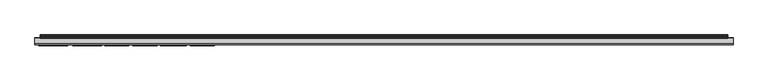
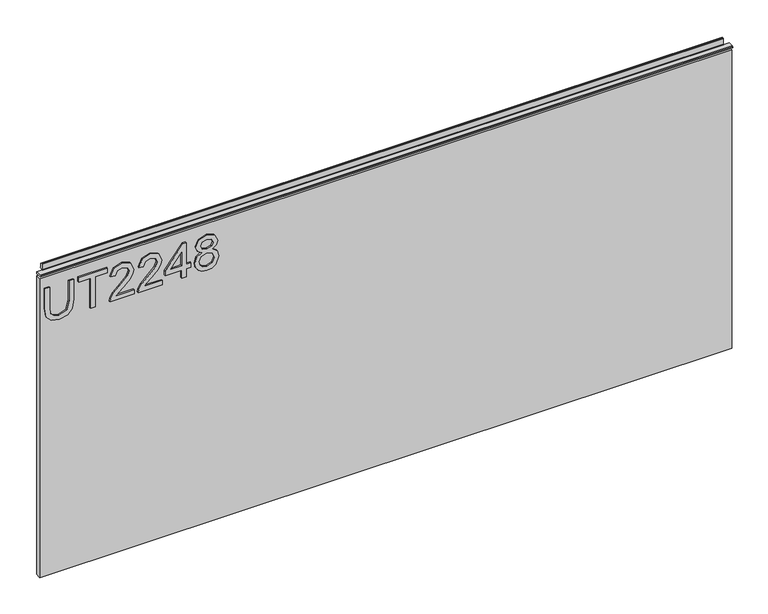
"""IFC4 building model written with IfcOpenShell, lengths in millimetres: furniture geometry."""

from ifc_helpers import new_model, si_unit, frame, origin, place, context, project, spatial, polyline, outline, extrude, source, transform, mapped, element, save


def furniture_842fb653(model_context):
    return source(origin(), model_context, "Body", "SweptSolid", [
        extrude(outline(polyline([(1675.5975569, -249.406548), (1639.0772981, -249.406548), (1622.9741222, -253.4401289), (1618.7848047, -266.9425017), (1620.9028239, -276.3178517), (1626.9220478, -281.7219156), (1639.0772981, -283.2948564), (1675.5975569, -283.2948564), (1675.5975569, -291.268576), (1638.7969721, -291.268576), (1622.8261723, -288.8468702), (1613.8946719, -280.7641349), (1610.811085, -266.1949655), (1614.3540952, -251.3999779), (1623.5425612, -243.5975687), (1638.7969721, -241.4328284), (1675.5975569, -241.4328284), (1675.5975569, -249.406548)])), frame((0.0, -6.7767932, 0.0), z_axis=(0.0, 1.0, 0.0), x_axis=(0.0, 0.0, 1.0)), (0.0, 0.0, 1.0), 2.38125),
        extrude(outline(polyline([(1611.8078, -211.5313799), (1611.8078, -203.5576602), (1667.6238373, -203.5576602), (1667.6238373, -182.6266462), (1675.5975569, -182.6266462), (1675.5975569, -232.4623938), (1667.6238373, -232.4623938), (1667.6238373, -211.5313799), (1611.8078, -211.5313799)])), frame((0.0, -6.7767932, 0.0), z_axis=(0.0, 1.0, 0.0), x_axis=(0.0, 0.0, 1.0)), (0.0, 0.0, 1.0), 2.38125),
        extrude(outline(polyline([(1619.7815196, -135.7810435), (1619.7815196, -167.0996961), (1623.8384609, -163.5021781), (1631.508494, -154.3292858), (1642.4334243, -142.905998), (1650.2514072, -138.1949625), (1657.8124245, -136.7777584), (1670.4893928, -142.0338724), (1675.5975569, -156.307142), (1671.003324, -170.5336906), (1657.6566878, -176.6463565), (1656.6599729, -168.6726369), (1664.7115608, -165.3165108), (1667.6238373, -156.4784524), (1664.6414793, -147.9985885), (1657.3296407, -144.751478), (1648.2969115, -148.1932594), (1635.01257, -161.9603846), (1625.7695962, -171.9431078), (1617.3053059, -176.7865196), (1611.8078, -177.6430715), (1611.8078, -135.7810435), (1619.7815196, -135.7810435)])), frame((0.0, -6.7767932, 0.0), z_axis=(0.0, 1.0, 0.0), x_axis=(0.0, 0.0, 1.0)), (0.0, 0.0, 1.0), 2.38125),
        extrude(outline(polyline([(1619.7815196, -86.9420108), (1619.7815196, -118.2606635), (1623.8384609, -114.6631454), (1631.508494, -105.4902531), (1642.4334243, -94.0669654), (1650.2514072, -89.3559298), (1657.8124245, -87.9387258), (1670.4893928, -93.1948398), (1675.5975569, -107.4681094), (1671.003324, -121.6946579), (1657.6566878, -127.8073239), (1656.6599729, -119.8336042), (1664.7115608, -116.4774781), (1667.6238373, -107.6394197), (1664.6414793, -99.1595558), (1657.3296407, -95.9124454), (1648.2969115, -99.3542267), (1635.01257, -113.121352), (1625.7695962, -123.1040752), (1617.3053059, -127.9474869), (1611.8078, -128.8040388), (1611.8078, -86.9420108), (1619.7815196, -86.9420108)])), frame((0.0, -6.7767932, 0.0), z_axis=(0.0, 1.0, 0.0), x_axis=(0.0, 0.0, 1.0)), (0.0, 0.0, 1.0), 2.38125),
        extrude(outline(polyline([(1611.8078, -53.0537024), (1611.8078, -45.0799828), (1626.7585243, -45.0799828), (1626.7585243, -37.1062632), (1634.7322439, -37.1062632), (1634.7322439, -45.0799828), (1674.600842, -45.0799828), (1674.600842, -51.0602725), (1634.7322439, -81.9584361), (1626.7585243, -81.9584361), (1626.7585243, -53.0537024), (1611.8078, -53.0537024)]), holes=[polyline([(1634.7322439, -53.0537024), (1634.7322439, -72.1470232), (1659.3697916, -53.0537024), (1634.7322439, -53.0537024)])]), frame((0.0, -6.7767932, 0.0), z_axis=(0.0, 1.0, 0.0), x_axis=(0.0, 0.0, 1.0)), (0.0, 0.0, 1.0), 2.38125),
        extrude(outline(polyline([(1646.9420021, -18.5112999), (1641.1485964, -27.1079663), (1630.5896474, -30.1292585), (1622.8320125, -28.688694), (1616.4721145, -24.3670002), (1612.2263424, -17.6936821), (1610.811085, -9.1982445), (1612.2205023, -0.7028069), (1616.448754, 5.9705111), (1630.371616, 11.7327695), (1640.6891731, 8.8282798), (1646.9420021, 0.3484159), (1651.871069, 7.4110757), (1659.3853653, 9.7393396), (1670.8787346, 4.5065861), (1675.5975569, -9.3072602), (1670.9877503, -22.9965172), (1659.6033967, -28.1358286), (1651.8944295, -25.7764175), (1646.9420021, -18.5112999)]), holes=[polyline([(1659.3697916, -20.162109), (1665.1943446, -17.2887667), (1667.6238373, -9.1982445), (1665.1398368, -1.1310829), (1659.0115972, 1.7656199), (1653.0936022, -1.0376409), (1650.6796831, -9.1048025), (1653.1091758, -17.3354877), (1659.3697916, -20.162109)]), polyline([(1630.8699735, -22.1555389), (1639.3264769, -18.7838391), (1642.7059635, -9.4007023), (1639.2797559, 0.2549738), (1630.6207947, 3.7590498), (1622.1253571, 0.3639895), (1618.7848047, -9.1359499), (1620.3733191, -16.1129545), (1624.8663232, -20.82399), (1630.8699735, -22.1555389)])]), frame((0.0, -6.7767932, 0.0), z_axis=(0.0, 1.0, 0.0), x_axis=(0.0, 0.0, 1.0)), (0.0, 0.0, 1.0), 2.38125),
        extrude(outline(polyline([(5.5562561, 1701.8), (6.3500061, 1701.8), (6.3500061, 1711.67425), (7.1437561, 1712.468), (8.6677569, 1712.468), (10.0084363, 1712.0506926), (10.875413, 1710.9461816), (10.9623604, 1709.5447591), (10.2390011, 1706.5863459), (10.4046103, 1705.3833307), (11.6746103, 1703.1836103), (10.7786383, 1702.6663244), (7.1437561, 1702.6663244), (7.1437561, 1701.8), (6.3500061, 1701.5669239), (6.3500061, 1694.3578), (5.5562561, 1694.3578), (5.5562561, 1701.8)])), frame((-288.671, 0.0, 0.0), z_axis=(1.0, 0.0, 0.0), x_axis=(0.0, 1.0, 0.0)), (0.0, 0.0, 1.0), 1186.942),
        extrude(outline(polyline([(5.5562561, 1701.8), (5.5562561, 1698.6249996), (-3.975094, 1698.6249996), (-5.3492339, 1699.4183657), (-5.3492339, 1701.0066395), (-3.9751037, 1701.8), (5.5562561, 1701.8)])), frame((-298.196, 0.0, 0.0), z_axis=(1.0, 0.0, 0.0), x_axis=(0.0, 1.0, 0.0)), (0.0, 0.0, 1.0), 1205.992),
        extrude(outline(polyline([(907.796, 6.3500061), (907.796, -3.1749939), (-298.196, -3.1749939), (-298.196, 6.3500061), (907.796, 6.3500061)])), frame((0.0, 0.0, 1143.8381927), z_axis=(0.0, 0.0, 1.0), x_axis=(1.0, 0.0, 0.0)), (0.0, 0.0, 1.0), 550.5196073),
    ])


if __name__ == "__main__":
    model = new_model("IFC4")
    model_context = context("Model", 3, world=origin())
    ifc_project = project(units=[si_unit("LENGTHUNIT", "METRE", prefix="MILLI")], contexts=[model_context])
    site = spatial("IfcSite", under=ifc_project)
    building = spatial("IfcBuilding", under=site)
    placement = place(None, origin())
    furniture_shape = furniture_842fb653(model_context)
    element("IfcFurniture", 1, at=placement, inside=building, context=model_context, shape_type="MappedRepresentation", body=[
        mapped(furniture_shape, transform((0.0, 0.0, 0.0), x_axis=(1.0, 0.0, 0.0), y_axis=(0.0, 1.0, 0.0), z_axis=(0.0, 0.0, 1.0))),
    ])
    save(model, "model.ifc")
